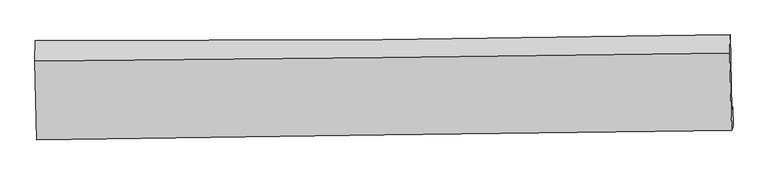
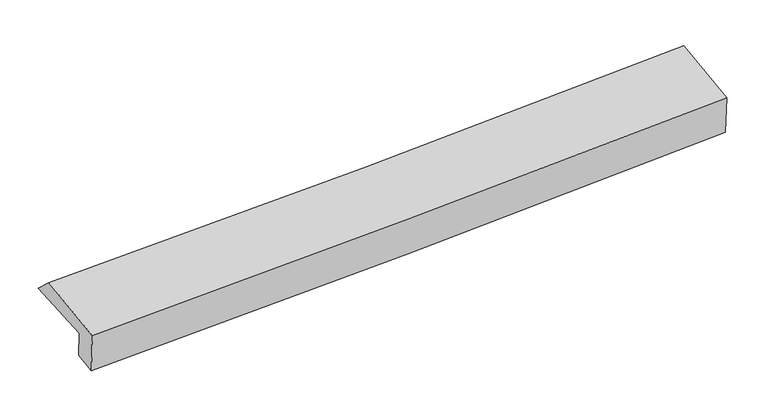
"""IFC4 building model written with IfcOpenShell, lengths in millimetres: proxy geometry."""

from ifc_helpers import new_model, si_unit, frame, origin, place, context, project, spatial, source, transform, mapped, element, save
from ifc_brep_helpers import plane_surface, spline_curve, spline_surface, advanced_brep


def generic_models_89fca237(model_context):
    return source(origin(), model_context, "Body", "AdvancedBrep", [
        advanced_brep(
        [(-3032.2173809, -1805.6774836, 1890.9328193), (-3043.7498286, -1156.2649579, 1951.2194566), (3007.3464033, -1105.366368, 2160.6425116), (3020.5055204, -1759.2414767, 2058.9599947), (-3023.5613281, -1779.2124416, 1651.6977605), (3027.6881811, -1735.9125953, 1859.9297789), (-3019.5173217, -1981.3235502, 1620.8888084), (3030.942275, -1898.5455, 1835.1387152), (-3033.2010127, -2023.1601086, 1999.077194), (3017.2513479, -1940.4041818, 2213.5270886), (-3047.5300373, -1333.8491079, 2118.3671763), (3003.2297382, -1265.8816582, 2330.2578239)],
        [
            (0, 1),
            (1, 2, spline_curve(3, [(-3043.7498286, -1156.2649579, 1951.2194566), (-2034.513615924, -1158.157578683, 1969.336970336), (-1025.60678558, -1154.861765127, 1995.849223275), (991.425211501, -1137.894304119, 2065.658954338), (1999.550458162, -1124.223920823, 2108.954386059), (3007.3464033, -1105.366368, 2160.6425116)], [4, 2, 4], [0.0, 9.934401871891978, 19.867593188490062])),
            (2, 3),
            (3, 0, spline_curve(3, [(3020.5055204, -1759.2414767, 2058.9599947), (2012.971883363, -1780.93195582, 2001.394315094), (1004.842259155, -1795.647052014, 1958.609162995), (-1012.731896068, -1811.127421023, 1902.596501889), (-2022.176572406, -1811.890993995, 1889.372595325), (-3032.2173809, -1805.6774836, 1890.9328193)], [4, 2, 4], [0.0, 9.933191316598084, 19.867593188490062])),
            (4, 0),
            (3, 5),
            (5, 4, spline_curve(3, [(3027.6881811, -1735.9125953, 1859.9297789), (2019.849405329, -1750.791842217, 1807.874263785), (1011.689970522, -1761.839799808, 1764.494366517), (-1005.393120914, -1776.274015685, 1695.081579282), (-2014.316855795, -1779.659340312, 1669.050803322), (-3023.5613281, -1779.2124416, 1651.6977605)], [4, 2, 4], [0.0, 9.933212842141439, 19.867636242200085])),
            (6, 4),
            (5, 7),
            (7, 6, spline_curve(3, [(3030.942275, -1898.5455, 1835.1387152), (2023.03778868, -1910.140671246, 1783.583810539), (1014.911314786, -1922.835940617, 1739.952804085), (-1001.908496936, -1950.428355821, 1668.5342373), (-2010.601888218, -1965.325769901, 1640.748607758), (-3019.5173217, -1981.3235502, 1620.8888084)], [4, 2, 4], [0.0, 9.932266778244973, 19.865743999110606])),
            (8, 6),
            (7, 9),
            (9, 8, spline_curve(3, [(3017.2513479, -1940.4041818, 2213.5270886), (2009.345656105, -1952.003039618, 2162.005509017), (1001.219181612, -1964.698309023, 2118.374502968), (-1015.598217815, -1992.283350565, 2046.889281155), (-2024.289197283, -2007.17339043, 2019.036989226), (-3033.2010127, -2023.1601086, 1999.077194)], [4, 2, 4], [0.0, 9.932147746251701, 19.865505920617665])),
            (10, 8),
            (9, 11),
            (11, 10, spline_curve(3, [(3003.2297382, -1265.8816582, 2330.2578239), (1995.375272701, -1279.944811847, 2278.309781128), (987.248798715, -1292.640081146, 2234.678774961), (-1029.671060361, -1315.29623092, 2164.046531735), (-2038.464511202, -1325.256778281, 2137.047322159), (-3047.5300373, -1333.8491079, 2118.3671763)], [4, 2, 4], [0.0, 9.93217640929513, 19.86556325019768])),
            (1, 10),
            (11, 2),
        ],
        [
            spline_surface(3, 3, [[(-3032.2173809, -1805.6774836, 1890.9328193), (-2022.176572326, -1811.890994082, 1889.372595313), (-1012.731896032, -1811.127421143, 1902.596501799), (1004.842259119, -1795.647051893, 1958.609163085), (2012.971883274, -1780.931955873, 2001.394315062), (3020.5055204, -1759.2414767, 2058.9599947)], [(-3036.061530139, -1589.206641719, 1911.028365083), (-2026.288920241, -1593.979855586, 1916.027387029), (-1017.023525879, -1592.372202472, 1933.680742327), (1000.369909902, -1576.396135954, 1994.292426766), (2008.49807495, -1562.029277546, 2037.247672106), (3016.119148044, -1541.283107131, 2092.854167006)], [(-3039.905679361, -1372.735799781, 1931.123910817), (-2030.401268136, -1376.068717032, 1942.682178696), (-1021.315155712, -1373.616983822, 1964.764982906), (995.897560698, -1357.145220036, 2029.975690498), (2004.024266595, -1343.126599227, 2073.101029133), (3011.732775656, -1323.324737569, 2126.748339294)], [(-3043.7498286, -1156.2649579, 1951.2194566), (-2034.513616051, -1158.157578536, 1969.336970413), (-1025.606785559, -1154.86176515, 1995.849223434), (991.425211481, -1137.894304096, 2065.658954179), (1999.550458272, -1124.2239209, 2108.954386178), (3007.3464033, -1105.366368, 2160.6425116)]], [4, 4], [4, 2, 4], [0.0, 2.180867572292927], [0.0, 9.934401871891978, 19.867593188490062]),
            spline_surface(3, 3, [[(-3023.5613281, -1779.2124416, 1651.6977605), (-2014.316855856, -1779.659340304, 1669.050803461), (-1005.393120986, -1776.274015747, 1695.08157914), (1011.689970594, -1761.839799746, 1764.494366659), (2019.849405439, -1750.791842218, 1807.874263781), (3027.6881811, -1735.9125953, 1859.9297789)], [(-3026.44667904, -1788.034122269, 1731.442780095), (-2016.936761353, -1790.403224899, 1742.49140074), (-1007.839379303, -1787.891817555, 1764.253220034), (1009.407400134, -1773.108883805, 1829.199298808), (2017.556898027, -1760.838546776, 1872.380947539), (3025.293960843, -1743.688889106, 1926.273184164)], [(-3029.33202996, -1796.855802931, 1811.187799705), (-2019.556666829, -1801.147109488, 1815.931998034), (-1010.285637715, -1799.509619335, 1833.424860905), (1007.12482958, -1784.377967835, 1893.904230935), (2015.264390686, -1770.885251315, 1936.887631304), (3022.899740657, -1751.465182894, 1992.616589436)], [(-3032.2173809, -1805.6774836, 1890.9328193), (-2022.176572326, -1811.890994082, 1889.372595313), (-1012.731896032, -1811.127421143, 1902.596501799), (1004.842259119, -1795.647051893, 1958.609163085), (2012.971883274, -1780.931955873, 2001.394315062), (3020.5055204, -1759.2414767, 2058.9599947)]], [4, 4], [4, 2, 4], [0.0, 0.6688072890966806], [0.0, 9.934423400058646, 19.867636242200085]),
            spline_surface(3, 3, [[(-3019.5173217, -1981.3235502, 1620.8888084), (-2010.601888209, -1965.325770051, 1640.748607797), (-1001.908496791, -1950.428355842, 1668.534237155), (1014.911314642, -1922.835940595, 1739.95280423), (2023.037788837, -1910.140671405, 1783.583810492), (3030.942275, -1898.5455, 1835.1387152)], [(-3020.865323846, -1913.953180649, 1631.158459087), (-2011.840210771, -1903.436960118, 1650.182673006), (-1003.070038212, -1892.376909134, 1677.383351143), (1013.83753327, -1869.170560302, 1748.133325032), (2021.97499439, -1857.024394985, 1791.680628251), (3029.857577053, -1844.334531742, 1843.402403096)], [(-3022.213325954, -1846.582811151, 1641.428109813), (-2013.078533294, -1841.548150238, 1659.616738253), (-1004.231579566, -1834.325462455, 1686.232465152), (1012.763751966, -1815.505180039, 1756.313845856), (2020.912199886, -1803.908118638, 1799.777446022), (3028.772879047, -1790.123563558, 1851.666091004)], [(-3023.5613281, -1779.2124416, 1651.6977605), (-2014.316855856, -1779.659340304, 1669.050803461), (-1005.393120986, -1776.274015747, 1695.08157914), (1011.689970594, -1761.839799746, 1764.494366659), (2019.849405439, -1750.791842218, 1807.874263781), (3027.6881811, -1735.9125953, 1859.9297789)]], [4, 4], [4, 2, 4], [0.0, 0.5562499111849898], [0.0, 9.933477220865633, 19.865743999110606]),
            spline_surface(3, 3, [[(-3033.2010127, -2023.1601086, 1999.077194), (-2024.28919728, -2007.173390363, 2019.036989358), (-1015.598217964, -1992.283350638, 2046.889281276), (1001.219181762, -1964.698308951, 2118.374502847), (2009.345655961, -1952.00303976, 2162.00550911), (3017.2513479, -1940.4041818, 2213.5270886)], [(-3028.639782339, -2009.214589131, 1873.014398818), (-2019.726760895, -1993.22418359, 1892.940862189), (-1011.03497758, -1978.331685712, 1920.770933234), (1005.783226048, -1950.744186171, 1992.233936639), (2013.909700248, -1938.048916981, 2035.864942902), (3021.814990262, -1926.451287873, 2087.397630798)], [(-3024.078552061, -1995.269069669, 1746.951603582), (-2015.164324594, -1979.274976824, 1766.844734966), (-1006.471737176, -1964.380020768, 1794.652585197), (1010.347270355, -1936.790063374, 1866.093370437), (2018.473744549, -1924.094794184, 1909.7243767), (3026.378632638, -1912.498393927, 1961.268173002)], [(-3019.5173217, -1981.3235502, 1620.8888084), (-2010.601888209, -1965.325770051, 1640.748607797), (-1001.908496791, -1950.428355842, 1668.534237155), (1014.911314642, -1922.835940595, 1739.95280423), (2023.037788837, -1910.140671405, 1783.583810492), (3030.942275, -1898.5455, 1835.1387152)]], [4, 4], [4, 2, 4], [0.0, 1.2498120358535965], [0.0, 9.933358174365964, 19.865505920617665]),
            spline_surface(3, 3, [[(-3047.5300373, -1333.8491079, 2118.3671763), (-2038.464511323, -1325.25677842, 2137.047322119), (-1029.671060254, -1315.296231025, 2164.04653177), (987.248798609, -1292.64008104, 2234.678774927), (1995.375272708, -1279.94481185, 2278.309781189), (3003.2297382, -1265.8816582, 2330.2578239)], [(-3042.753695788, -1563.619441491, 2078.603848841), (-2033.739406663, -1552.562315759, 2097.710544507), (-1024.980112803, -1540.958604235, 2124.994114946), (991.905593015, -1516.659490349, 2195.910684241), (2000.032067114, -1503.964221159, 2239.541690504), (3007.903608088, -1490.722499406, 2291.347578808)], [(-3037.977354212, -1793.389775009, 2038.840521459), (-2029.014301939, -1779.867853025, 2058.373766971), (-1020.289165416, -1766.620977428, 2085.9416981), (996.562387356, -1740.678899641, 2157.142593533), (2004.688861555, -1727.983630451, 2200.773599795), (3012.577478012, -1715.563340594, 2252.437333692)], [(-3033.2010127, -2023.1601086, 1999.077194), (-2024.28919728, -2007.173390363, 2019.036989358), (-1015.598217964, -1992.283350638, 2046.889281276), (1001.219181762, -1964.698308951, 2118.374502847), (2009.345655961, -1952.00303976, 2162.00550911), (3017.2513479, -1940.4041818, 2213.5270886)]], [4, 4], [4, 2, 4], [0.0, 2.2463667372717198], [0.0, 9.933386840902552, 19.86556325019768]),
            spline_surface(3, 3, [[(-3043.7498286, -1156.2649579, 1951.2194566), (-2034.513616051, -1158.157578536, 1969.336970413), (-1025.606785559, -1154.86176515, 1995.849223434), (991.425211481, -1137.894304096, 2065.658954179), (1999.550458272, -1124.2239209, 2108.954386178), (3007.3464033, -1105.366368, 2160.6425116)], [(-3045.009898147, -1215.459674541, 2006.935363176), (-2035.830581122, -1213.857311805, 2025.240420991), (-1026.96154381, -1208.339920438, 2051.91499289), (990.033073837, -1189.47622974, 2121.998894439), (1998.15872976, -1176.13088456, 2165.40618451), (3005.97418161, -1158.871464743, 2217.180949029)], [(-3046.269967753, -1274.654391259, 2062.651269724), (-2037.147546251, -1269.557045151, 2081.143871541), (-1028.316302003, -1261.818075738, 2107.980762313), (988.640936252, -1241.058155397, 2178.338834667), (1996.767001219, -1228.037848191, 2221.857982856), (3004.60195989, -1212.376561457, 2273.719386471)], [(-3047.5300373, -1333.8491079, 2118.3671763), (-2038.464511323, -1325.25677842, 2137.047322119), (-1029.671060254, -1315.296231025, 2164.04653177), (987.248798609, -1292.64008104, 2234.678774927), (1995.375272708, -1279.94481185, 2278.309781189), (3003.2297382, -1265.8816582, 2330.2578239)]], [4, 4], [4, 2, 4], [0.0, 0.757302592940947], [0.0, 9.933552124650282, 19.865893797552513]),
            plane_surface(frame((3017.8272443, -1617.55863, 2076.4093188), z_axis=(0.999186551002451, 0.014241424591957333, 0.03772821386466751), x_axis=(0.03593959553399449, 0.10988182782030924, -0.9932946840629526))),
            plane_surface(frame((-3033.2961516, -1679.9146083, 1872.0305358), z_axis=(-0.999186551002275, -0.01424142459199279, -0.03772821386931841), x_axis=(0.017679485311436823, -0.9955630832635018, -0.09242068514132741))),
        ],
        [
            (0, [[1, 2, 3, 4]]),
            (1, [[5, -4, 6, 7]]),
            (2, [[8, -7, 9, 10]]),
            (3, [[11, -10, 12, 13]]),
            (4, [[14, -13, 15, 16]]),
            (5, [[17, -16, 18, -2]]),
            (6, [[-12, -9, -6, -3, -18, -15]]),
            (7, [[-1, -5, -8, -11, -14, -17]]),
        ],
    ),
    ])


if __name__ == "__main__":
    model = new_model("IFC4")
    model_context = context("Model", 3, world=origin())
    ifc_project = project(units=[si_unit("LENGTHUNIT", "METRE", prefix="MILLI")], contexts=[model_context])
    site = spatial("IfcSite", under=ifc_project)
    building = spatial("IfcBuilding", under=site)
    placement = place(None, origin())
    generic_models_shape = generic_models_89fca237(model_context)
    element("IfcBuildingElementProxy", 1, Name="Generic Models", at=placement, inside=building, context=model_context, shape_type="MappedRepresentation", body=[
        mapped(generic_models_shape, transform((0.0, 0.0, 0.0), x_axis=(1.0, 0.0, 0.0), y_axis=(0.0, 1.0, 0.0), z_axis=(0.0, 0.0, 1.0))),
    ])
    save(model, "model.ifc")
